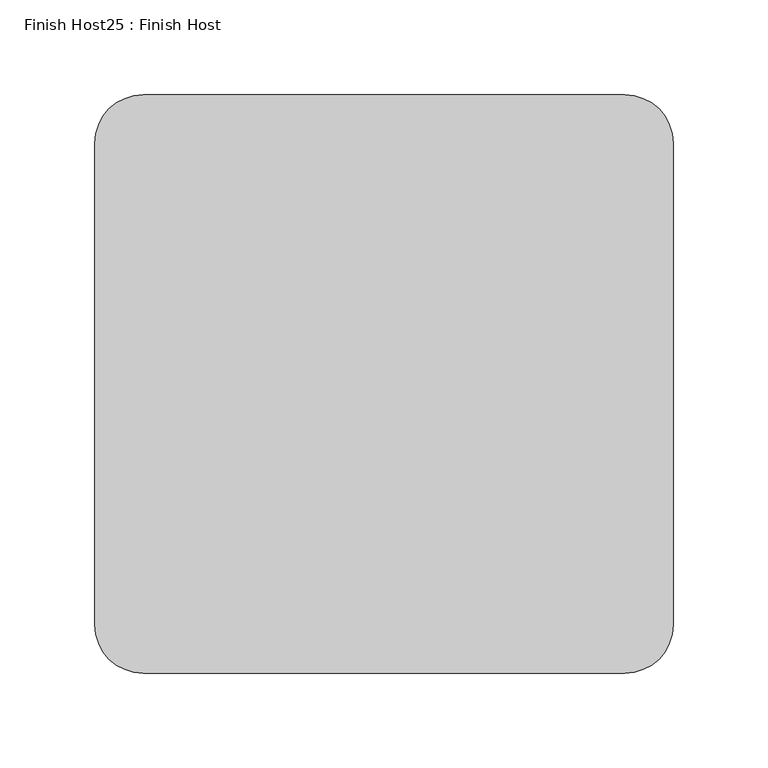
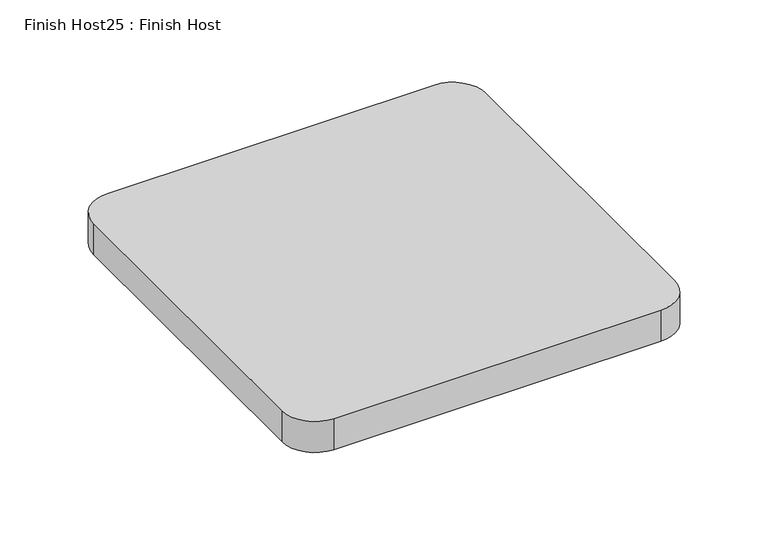
"""IFC4 building model written with IfcOpenShell, lengths in millimetres: proxy geometry, Finish Host25 : Finish Host."""

from ifc_helpers import new_model, si_unit, point, frame_2d, origin, origin_with_axes, place, context, project, spatial, polyline, circle_curve, trimmed, segment, composite_curve, outline, extrude, source, transform, mapped, element, save


def finish_host25_finish_host_899a1b6d(model_context):
    return source(origin(), model_context, "Body", "SweptSolid", [
        extrude(outline(composite_curve([segment(polyline([(9572.7478493, 1206.8122951), (9572.7478493, 1460.8122951)]), True, "CONTINUOUS"), segment(trimmed(circle_curve(frame_2d((9598.1478493, 1460.8122951)), 25.4), [point((9572.7478493, 1460.8122951))], [point((9598.1478493, 1486.2122951))], False, "CARTESIAN"), True, "CONTINUOUS"), segment(polyline([(9598.1478493, 1486.2122951), (9852.1478493, 1486.2122951)]), True, "CONTINUOUS"), segment(trimmed(circle_curve(frame_2d((9852.1478493, 1460.8122951)), 25.4), [point((9852.1478493, 1486.2122951))], [point((9877.5478493, 1460.8122951))], False, "CARTESIAN"), True, "CONTINUOUS"), segment(polyline([(9877.5478493, 1460.8122951), (9877.5478493, 1206.8122951)]), True, "CONTINUOUS"), segment(trimmed(circle_curve(frame_2d((9852.1478493, 1206.8122951)), 25.4), [point((9877.5478493, 1206.8122951))], [point((9852.1478493, 1181.4122951))], False, "CARTESIAN"), True, "CONTINUOUS"), segment(polyline([(9852.1478493, 1181.4122951), (9598.1478493, 1181.4122951)]), True, "CONTINUOUS"), segment(trimmed(circle_curve(frame_2d((9598.1478493, 1206.8122951)), 25.4), [point((9598.1478493, 1181.4122951))], [point((9572.7478493, 1206.8122951))], False, "CARTESIAN"), True, "CONTINUOUS")], self_intersect=False)), origin_with_axes(), (0.0, 0.0, 1.0), 25.4),
    ])


if __name__ == "__main__":
    model = new_model("IFC4")
    model_context = context("Model", 3, world=origin())
    ifc_project = project(units=[si_unit("LENGTHUNIT", "METRE", prefix="MILLI")], contexts=[model_context])
    site = spatial("IfcSite", under=ifc_project)
    building = spatial("IfcBuilding", under=site)
    placement = place(None, origin())
    finish_host25_finish_host_shape = finish_host25_finish_host_899a1b6d(model_context)
    element("IfcBuildingElementProxy", 1, Name="Finish Host25 : Finish Host", ObjectType="Finish Host25 : Finish Host", at=placement, inside=building, context=model_context, shape_type="MappedRepresentation", body=[
        mapped(finish_host25_finish_host_shape, transform((0.0, 0.0, 0.0), x_axis=(1.0, 0.0, 0.0), y_axis=(0.0, 1.0, 0.0), z_axis=(0.0, 0.0, 1.0))),
    ])
    save(model, "model.ifc")
